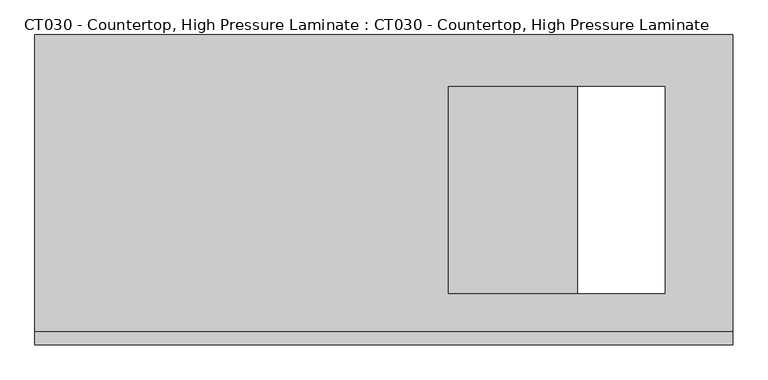
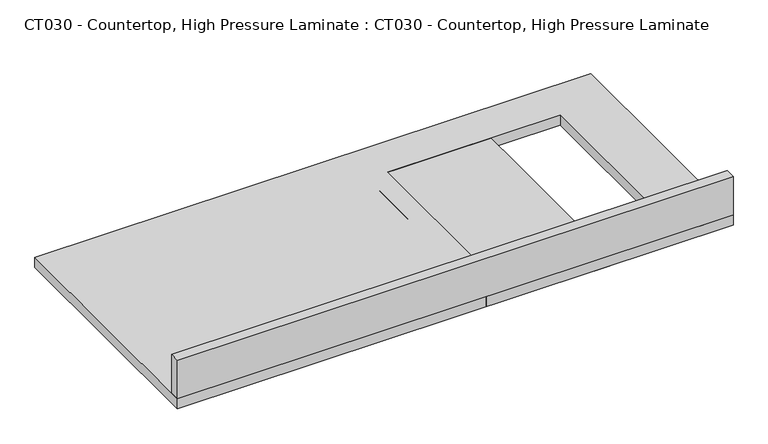
"""IFC4 building model written with IfcOpenShell, lengths in millimetres: proxy geometry, CT030 - Countertop, High Pressure Laminate : CT030 - Countertop, High Pressure Laminate."""

from ifc_helpers import new_model, si_unit, frame, origin, origin_with_axes, place, context, project, spatial, polyline, outline, extrude, source, transform, mapped, element, save


def ct030_countertop_high_pressure_laminate_ct030_countertop_f1811598(model_context):
    return source(origin(), model_context, "Body", "SweptSolid", [
        extrude(outline(polyline([(457.2, -304.8), (-914.4, -304.8), (-914.4, 304.8), (457.2, 304.8), (457.2, -304.8)]), holes=[polyline([(323.7379685, -203.2), (323.7379685, 203.2), (-101.6, 203.2), (-101.6, -203.2), (323.7379685, -203.2)])]), origin_with_axes(), (0.0, 0.0, 1.0), 25.4),
        extrude(outline(polyline([(-914.4, -279.4), (457.2, -279.4), (457.2, -304.8), (-914.4, -304.8), (-914.4, -279.4)])), frame((0.0, 0.0, 25.4), z_axis=(0.0, 0.0, 1.0), x_axis=(1.0, 0.0, 0.0)), (0.0, 0.0, 1.0), 101.6),
        extrude(outline(polyline([(-152.4, -304.8), (-152.4, 0.0), (-152.4, 304.8), (152.4, 304.8), (152.4, -304.8), (-152.4, -304.8)])), origin_with_axes(), (0.0, 0.0, 1.0), 25.4),
    ])


if __name__ == "__main__":
    model = new_model("IFC4")
    model_context = context("Model", 3, world=origin())
    ifc_project = project(units=[si_unit("LENGTHUNIT", "METRE", prefix="MILLI")], contexts=[model_context])
    site = spatial("IfcSite", under=ifc_project)
    building = spatial("IfcBuilding", under=site)
    placement = place(None, origin())
    ct030_countertop_high_pressure_laminate_ct030_countertop_shape = ct030_countertop_high_pressure_laminate_ct030_countertop_f1811598(model_context)
    element("IfcBuildingElementProxy", 1, Name="CT030 - Countertop, High Pressure Laminate : CT030 - Countertop, High Pressure Laminate", ObjectType="CT030 - Countertop, High Pressure Laminate : CT030 - Countertop, High Pressure Laminate", at=placement, inside=building, context=model_context, shape_type="MappedRepresentation", body=[
        mapped(ct030_countertop_high_pressure_laminate_ct030_countertop_shape, transform((0.0, 0.0, 0.0), x_axis=(1.0, 0.0, 0.0), y_axis=(0.0, 1.0, 0.0), z_axis=(0.0, 0.0, 1.0))),
    ])
    save(model, "model.ifc")
